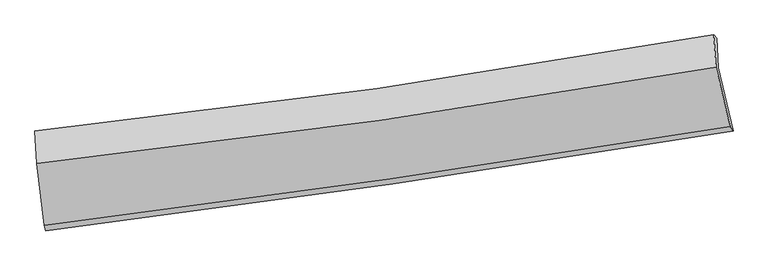
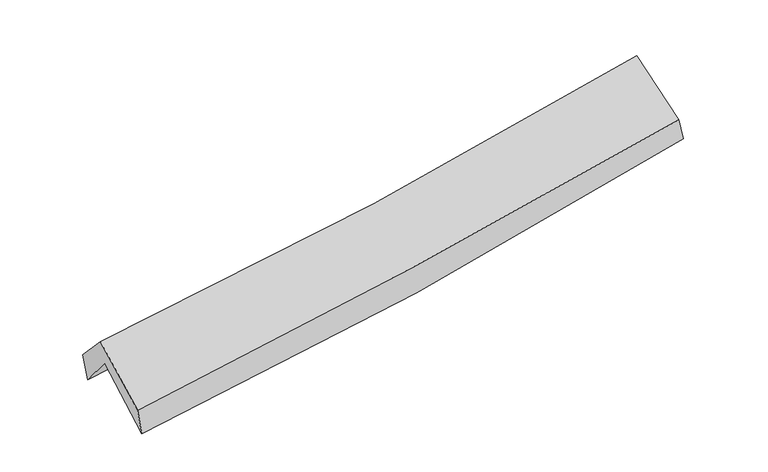
"""IFC4 building model written with IfcOpenShell, lengths in millimetres: proxy geometry."""

from ifc_helpers import new_model, si_unit, frame, origin, place, context, project, spatial, source, transform, mapped, element, save
from ifc_brep_helpers import plane_surface, spline_curve, spline_surface, advanced_brep


def generic_models_a1d1ed54(model_context):
    return source(origin(), model_context, "Body", "AdvancedBrep", [
        advanced_brep(
        [(-2758.0020585, -2491.7750304, 1459.5043248), (-2820.5699832, -1988.8097333, 1886.8857172), (2751.485393, -1152.7922573, 2361.4270794), (2874.9027593, -1670.2314064, 1959.6077089), (-2832.7919833, -1733.3570673, 1570.9294242), (2740.4269017, -910.7986086, 2056.6311384), (-2846.3908857, -1673.2871019, 1788.953215), (2717.1284023, -882.6708298, 2253.6524103), (-2832.2863768, -1937.7325303, 2076.4490313), (2734.9844606, -1147.9015217, 2527.1495347), (-2770.201328, -2444.6211488, 1672.1978978), (2852.4797137, -1635.6849978, 2136.2029131)],
        [
            (0, 1),
            (1, 2, spline_curve(3, [(-2820.5699832, -1988.8097333, 1886.8857172), (-1879.695565641, -1877.856451257, 1933.765584424), (-942.317151775, -1752.235768642, 1997.066243705), (914.956534223, -1473.235583883, 2155.613564233), (1834.929912251, -1320.183774346, 2250.493358978), (2751.485393, -1152.7922573, 2361.4270794)], [4, 2, 4], [0.0, 9.380567421274444, 18.655754551081323])),
            (2, 3),
            (3, 0, spline_curve(3, [(2874.9027593, -1670.2314064, 1959.6077089), (1948.811589752, -1823.534519866, 1833.597164688), (1019.029773038, -1968.3097708, 1729.030204795), (-858.520827085, -2242.352525213, 1561.839045107), (-1806.373949813, -2371.425149234, 1499.704876874), (-2758.0020585, -2491.7750304, 1459.5043248)], [4, 2, 4], [0.0, 9.275187129806879, 18.655754551081323])),
            (1, 4),
            (4, 5, spline_curve(3, [(-2832.7919833, -1733.3570673, 1570.9294242), (-1891.703925149, -1623.429819924, 1616.277065707), (-954.121236746, -1499.453548378, 1679.756505321), (903.540075817, -1224.953517839, 1842.062169953), (1823.697015995, -1074.743636623, 1940.483301471), (2740.4269017, -910.7986086, 2056.6311384)], [4, 2, 4], [0.0, 9.331166368109379, 18.557507410900634])),
            (5, 2),
            (4, 6),
            (6, 7, spline_curve(3, [(-2846.3908857, -1673.2871019, 1788.953215), (-1907.984472753, -1571.845916516, 1838.988105414), (-972.552490265, -1454.780714025, 1903.027893168), (881.887485619, -1190.892891282, 2058.240516392), (1800.961932279, -1044.41933656, 2149.100460809), (2717.1284023, -882.6708298, 2253.6524103)], [4, 2, 4], [0.0, 9.317951129286202, 18.531225391834283])),
            (7, 5),
            (6, 8),
            (8, 9, spline_curve(3, [(-2832.2863768, -1937.7325303, 2076.4490313), (-1893.707592823, -1836.067421868, 2128.899027802), (-957.873740653, -1718.957070107, 2192.959773207), (897.821879084, -1455.33499627, 2343.452676913), (1817.744972519, -1309.168344915, 2429.625432626), (2734.9844606, -1147.9015217, 2527.1495347)], [4, 2, 4], [0.0, 9.306450249023651, 18.508352830968413])),
            (9, 7),
            (8, 10),
            (10, 11, spline_curve(3, [(-2770.201328, -2444.6211488, 1672.1978978), (-1822.842808754, -2328.340781032, 1736.001418833), (-877.974055927, -2202.353945721, 1806.82813057), (996.197332747, -1932.491704135, 1961.65337795), (1925.555593622, -1788.83315573, 2045.495004872), (2852.4797137, -1635.6849978, 2136.2029131)], [4, 2, 4], [0.0, 9.355688612336325, 18.606276419084725])),
            (11, 9),
            (10, 0),
            (3, 11),
        ],
        [
            spline_surface(3, 3, [[(-2758.0020585, -2491.7750304, 1459.5043248), (-1806.373949734, -2371.425149128, 1499.704876962), (-858.520827069, -2242.352525286, 1561.839045055), (1019.029773022, -1968.309770729, 1729.030204846), (1948.81158962, -1823.53451988, 1833.597164798), (2874.9027593, -1670.2314064, 1959.6077089)], [(-2778.858033415, -2324.11993137, 1601.964788947), (-1830.814488392, -2206.902249865, 1644.391779438), (-886.452935263, -2078.980273126, 1706.914777909), (984.3386934, -1803.285041751, 1871.224657964), (1910.851030467, -1655.750938011, 1972.562562878), (2833.763637185, -1497.751690004, 2093.547499066)], [(-2799.714008285, -2156.46483233, 1744.425253053), (-1855.255027004, -2042.379350592, 1789.078681874), (-914.385043485, -1915.608020928, 1851.990510824), (949.64761375, -1638.260312736, 2013.419111142), (1872.890471359, -1487.967356229, 2111.527960961), (2792.624515115, -1325.271973696, 2227.487289234)], [(-2820.5699832, -1988.8097333, 1886.8857172), (-1879.695565662, -1877.856451329, 1933.76558435), (-942.317151679, -1752.235768768, 1997.066243678), (914.956534127, -1473.235583759, 2155.613564261), (1834.929912206, -1320.18377436, 2250.493359041), (2751.485393, -1152.7922573, 2361.4270794)]], [4, 4], [4, 2, 4], [0.0, 2.169194702242405], [0.0, 9.380567421274444, 18.655754551081323]),
            spline_surface(3, 3, [[(-2820.5699832, -1988.8097333, 1886.8857172), (-1879.695565662, -1877.856451329, 1933.76558435), (-942.317151679, -1752.235768768, 1997.066243678), (914.956534127, -1473.235583759, 2155.613564261), (1834.929912206, -1320.18377436, 2250.493359041), (2751.485393, -1152.7922573, 2361.4270794)], [(-2824.643983218, -1903.658844642, 1781.566952849), (-1883.698352193, -1793.047574198, 1827.936078074), (-946.251846752, -1667.975028612, 1891.296330908), (911.151048052, -1390.474895143, 2051.09643281), (1831.185613422, -1238.370395142, 2147.156673206), (2747.799229228, -1072.127707757, 2259.828432414)], [(-2828.717983282, -1818.507955958, 1676.248188551), (-1887.70113877, -1708.23869704, 1722.106571852), (-950.186541791, -1583.714288458, 1785.526418137), (907.34556201, -1307.714206531, 1946.579301359), (1827.441314653, -1156.557015852, 2043.81998733), (2744.113065472, -991.463158143, 2158.229785386)], [(-2832.7919833, -1733.3570673, 1570.9294242), (-1891.703925301, -1623.429819909, 1616.277065576), (-954.121236865, -1499.453548302, 1679.756505367), (903.540075934, -1224.953517915, 1842.062169908), (1823.697015868, -1074.743636633, 1940.483301495), (2740.4269017, -910.7986086, 2056.6311384)]], [4, 4], [4, 2, 4], [0.0, 1.3222380923057162], [0.0, 9.331166368109379, 18.557507410900634]),
            spline_surface(3, 3, [[(-2832.7919833, -1733.3570673, 1570.9294242), (-1891.703925301, -1623.429819909, 1616.277065576), (-954.121236865, -1499.453548302, 1679.756505367), (903.540075934, -1224.953517915, 1842.062169908), (1823.697015868, -1074.743636633, 1940.483301495), (2740.4269017, -910.7986086, 2056.6311384)], [(-2837.324950766, -1713.333745496, 1643.604021153), (-1897.130774456, -1606.235185433, 1690.514078926), (-960.264987969, -1484.562603541, 1754.180301294), (896.32254584, -1213.599975719, 1914.121618774), (1816.118654725, -1064.635536567, 2010.022354564), (2732.660735241, -901.422682328, 2122.304895693)], [(-2841.857918234, -1693.310423704, 1716.278618047), (-1902.557623613, -1589.04055097, 1764.751092217), (-966.408739133, -1469.67165876, 1828.604097174), (889.105015687, -1202.246433504, 1986.181067593), (1808.54029356, -1054.527436515, 2079.561407655), (2724.894568759, -892.046756072, 2187.978653007)], [(-2846.3908857, -1673.2871019, 1788.953215), (-1907.984472769, -1571.845916494, 1838.988105568), (-972.552490237, -1454.780713999, 1903.0278931), (881.887485592, -1190.892891307, 2058.240516458), (1800.961932417, -1044.419336448, 2149.100460725), (2717.1284023, -882.6708298, 2253.6524103)]], [4, 4], [4, 2, 4], [0.0, 0.7354635921218506], [0.0, 9.317951129286202, 18.531225391834283]),
            spline_surface(3, 3, [[(-2846.3908857, -1673.2871019, 1788.953215), (-1907.984472769, -1571.845916494, 1838.988105568), (-972.552490237, -1454.780713999, 1903.0278931), (881.887485592, -1190.892891307, 2058.240516458), (1800.961932417, -1044.419336448, 2149.100460725), (2717.1284023, -882.6708298, 2253.6524103)], [(-2841.689382758, -1761.435578014, 1884.785153767), (-1903.225512809, -1659.919751605, 1935.625079616), (-967.659573721, -1542.839499418, 1999.671853136), (887.198950059, -1279.04025959, 2153.311236604), (1806.556279157, -1132.669005922, 2242.608784678), (2723.080421731, -971.081060412, 2344.818118455)], [(-2836.987879742, -1849.584054186, 1980.617092533), (-1898.466552777, -1747.993586774, 2032.262053664), (-962.766657141, -1630.89828482, 2096.315813181), (892.51041459, -1367.187627857, 2248.381956758), (1812.150625905, -1220.918675459, 2336.117108566), (2729.032441169, -1059.491291088, 2435.983826545)], [(-2832.2863768, -1937.7325303, 2076.4490313), (-1893.707592817, -1836.067421885, 2128.899027712), (-957.873740625, -1718.957070239, 2192.959773217), (897.821879056, -1455.334996139, 2343.452676903), (1817.744972644, -1309.168344933, 2429.62543252), (2734.9844606, -1147.9015217, 2527.1495347)]], [4, 4], [4, 2, 4], [0.0, 1.2824917300210243], [0.0, 9.306450249023651, 18.508352830968413]),
            spline_surface(3, 3, [[(-2832.2863768, -1937.7325303, 2076.4490313), (-1893.707592817, -1836.067421885, 2128.899027712), (-957.873740625, -1718.957070239, 2192.959773217), (897.821879056, -1455.334996139, 2343.452676903), (1817.744972644, -1309.168344933, 2429.62543252), (2734.9844606, -1147.9015217, 2527.1495347)], [(-2811.591360517, -2106.695403136, 1941.698653466), (-1870.085998135, -2000.158541598, 1997.933158042), (-931.240512369, -1880.089362047, 2064.249225627), (930.613696937, -1614.387232132, 2216.186243969), (1853.681846309, -1469.056615233, 2301.581956604), (2774.149544956, -1310.496013741, 2396.833994161)], [(-2790.896344283, -2275.658275964, 1806.948275634), (-1846.464403501, -2164.249661303, 1866.967288374), (-904.607284124, -2041.221653893, 1935.538678022), (963.405514807, -1773.439468162, 2088.91981102), (1889.618720007, -1628.944885509, 2173.538480706), (2813.314629344, -1473.090505759, 2266.518453639)], [(-2770.201328, -2444.6211488, 1672.1978978), (-1822.842808818, -2328.340781016, 1736.001418704), (-877.974055868, -2202.353945701, 1806.828130432), (996.197332688, -1932.491704155, 1961.653378086), (1925.555593672, -1788.833155809, 2045.495004791), (2852.4797137, -1635.6849978, 2136.2029131)]], [4, 4], [4, 2, 4], [0.0, 2.0385495547296295], [0.0, 9.355688612336325, 18.606276419084725]),
            spline_surface(3, 3, [[(-2770.201328, -2444.6211488, 1672.1978978), (-1822.842808818, -2328.340781016, 1736.001418704), (-877.974055868, -2202.353945701, 1806.828130432), (996.197332688, -1932.491704155, 1961.653378086), (1925.555593672, -1788.833155809, 2045.495004791), (2852.4797137, -1635.6849978, 2136.2029131)], [(-2766.134904826, -2460.339109342, 1601.300040118), (-1817.353189116, -2342.702237062, 1657.235904774), (-871.489646269, -2215.686805552, 1725.165101975), (1003.808146133, -1944.431059668, 1884.112320342), (1933.307592348, -1800.400277189, 1974.862391438), (2859.95406226, -1647.200467357, 2077.337845012)], [(-2762.068481674, -2476.057069858, 1530.402182482), (-1811.863569436, -2357.063693082, 1578.470390891), (-865.005236669, -2229.019665435, 1643.502073512), (1011.418959578, -1956.370415215, 1806.571262591), (1941.059590944, -1811.967398499, 1904.229778151), (2867.42841074, -1658.715936843, 2018.472776988)], [(-2758.0020585, -2491.7750304, 1459.5043248), (-1806.373949734, -2371.425149128, 1499.704876962), (-858.520827069, -2242.352525286, 1561.839045055), (1019.029773022, -1968.309770729, 1729.030204846), (1948.81158962, -1823.53451988, 1833.597164798), (2874.9027593, -1670.2314064, 1959.6077089)]], [4, 4], [4, 2, 4], [0.0, 0.7965491865333155], [0.0, 9.41647337189099, 18.727163088704152]),
            plane_surface(frame((2778.5679384, -1233.3466036, 2215.7784641), z_axis=(0.9823840973258395, 0.16206909618218943, 0.09303275436094474), x_axis=(0.18472244334613738, -0.7668782625744102, -0.6146343216214721))),
            plane_surface(frame((-2810.0404359, -2044.9304353, 1742.4866017), z_axis=(-0.9950191814673586, -0.09275852248935054, -0.03650595865911183), x_axis=(-0.055908878739645035, 0.21610479588637066, 0.9747681336979507))),
        ],
        [
            (0, [[1, 2, 3, 4]]),
            (1, [[5, 6, 7, -2]]),
            (2, [[8, 9, 10, -6]]),
            (3, [[11, 12, 13, -9]]),
            (4, [[14, 15, 16, -12]]),
            (5, [[17, -4, 18, -15]]),
            (6, [[-16, -18, -3, -7, -10, -13]]),
            (7, [[-17, -14, -11, -8, -5, -1]]),
        ],
    ),
    ])


if __name__ == "__main__":
    model = new_model("IFC4")
    model_context = context("Model", 3, world=origin())
    ifc_project = project(units=[si_unit("LENGTHUNIT", "METRE", prefix="MILLI")], contexts=[model_context])
    site = spatial("IfcSite", under=ifc_project)
    building = spatial("IfcBuilding", under=site)
    placement = place(None, origin())
    generic_models_shape = generic_models_a1d1ed54(model_context)
    element("IfcBuildingElementProxy", 1, Name="Generic Models", at=placement, inside=building, context=model_context, shape_type="MappedRepresentation", body=[
        mapped(generic_models_shape, transform((0.0, 0.0, 0.0), x_axis=(1.0, 0.0, 0.0), y_axis=(0.0, 1.0, 0.0), z_axis=(0.0, 0.0, 1.0))),
    ])
    save(model, "model.ifc")
